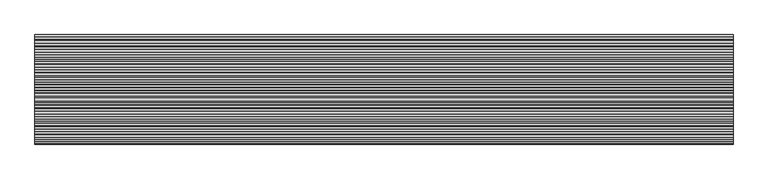
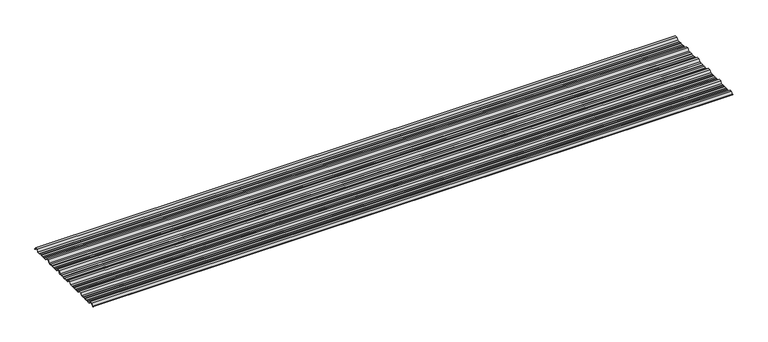
"""IFC4 building model written with IfcOpenShell, lengths in millimetres: beam geometry."""

from ifc_helpers import new_model, si_unit, point, frame, frame_2d, origin, place, context, project, spatial, polyline, circle_curve, trimmed, segment, composite_curve, outline, extrude, source, transform, mapped, element, save


def beam_489df630(model_context):
    return source(origin(), model_context, "Body", "SweptSolid", [
        extrude(outline(composite_curve([segment(polyline([(-159.5006096, -7.7896475), (-173.0, -25.7896475), (-191.1560825, -25.7896475), (-195.2826844, -23.7896475), (-212.8895196, -23.7896475), (-216.1536836, -25.7896475), (-234.9266573, -25.7896475), (-237.9681158, -23.7896475), (-253.6339196, -23.7896475), (-256.6775615, -25.7896475), (-277.0, -25.7896475), (-290.4993904, -7.7896475), (-309.5006096, -7.7896475), (-323.0, -25.7896475), (-341.1560825, -25.7896475), (-345.2826844, -23.7896475), (-362.8895196, -23.7896475), (-366.1536836, -25.7896475), (-384.9266573, -25.7896475), (-387.9681158, -23.7896475), (-403.6339196, -23.7896475), (-406.6775615, -25.7896475), (-427.0, -25.7896475), (-440.4993904, -7.7896475), (-459.5006096, -7.7896475), (-473.0, -25.7896475), (-491.1560825, -25.7896475), (-495.2826844, -23.7896475), (-512.8895196, -23.7896475), (-516.1536836, -25.7896475), (-534.9266573, -25.7896475), (-537.9681158, -23.7896475), (-553.6339196, -23.7896475), (-556.6775615, -25.7896475), (-577.0, -25.7896475), (-590.4993904, -7.7896475), (-609.5006096, -7.7896475), (-623.0, -25.7896475), (-641.1560825, -25.7896475), (-645.2826844, -23.7896475), (-662.8895196, -23.7896475), (-666.1536836, -25.7896475), (-684.9266573, -25.7896475), (-687.9681158, -23.7896475), (-703.6339196, -23.7896475), (-706.6775615, -25.7896475), (-727.0, -25.7896475), (-740.4993904, -7.7896475), (-759.5006096, -7.7896475), (-771.5000677, -23.7896475), (-775.173385, -23.7896475)]), True, "CONTINUOUS"), segment(trimmed(circle_curve(frame_2d((-775.173385, -23.2896475)), 0.5), [point((-775.173385, -23.7896475))], [point((-775.173385, -22.7896475))], False, "CARTESIAN"), True, "CONTINUOUS"), segment(polyline([(-775.173385, -22.7896475), (-771.9994581, -22.7896475), (-760.0, -6.7896475), (-740.0, -6.7896475), (-726.5006096, -24.7896475), (-706.9767126, -24.7896475), (-703.9330707, -22.7896475), (-687.6687853, -22.7896475), (-684.6273268, -24.7896475), (-666.4356788, -24.7896475), (-663.1715148, -22.7896475), (-645.0531246, -22.7896475), (-640.9265226, -24.7896475), (-623.4993904, -24.7896475), (-610.0, -6.7896475), (-590.0, -6.7896475), (-576.5006096, -24.7896475), (-556.9767126, -24.7896475), (-553.9330707, -22.7896475), (-537.6687853, -22.7896475), (-534.6273268, -24.7896475), (-516.4356788, -24.7896475), (-513.1715148, -22.7896475), (-495.0531246, -22.7896475), (-490.9265226, -24.7896475), (-473.4993904, -24.7896475), (-460.0, -6.7896475), (-440.0, -6.7896475), (-426.5006096, -24.7896475), (-406.9767126, -24.7896475), (-403.9330707, -22.7896475), (-387.6687853, -22.7896475), (-384.6273268, -24.7896475), (-366.4356788, -24.7896475), (-363.1715148, -22.7896475), (-345.0531246, -22.7896475), (-340.9265226, -24.7896475), (-323.4993904, -24.7896475), (-310.0, -6.7896475), (-290.0, -6.7896475), (-276.5006096, -24.7896475), (-256.9767126, -24.7896475), (-253.9330707, -22.7896475), (-237.6687853, -22.7896475), (-234.6273268, -24.7896475), (-216.4356788, -24.7896475), (-213.1715148, -22.7896475), (-195.0531246, -22.7896475), (-190.9265226, -24.7896475), (-173.4993904, -24.7896475), (-160.0, -6.7896475), (-140.0, -6.7896475), (-126.5006096, -24.7896475), (-106.9767126, -24.7896475), (-103.9330707, -22.7896475), (-87.6687853, -22.7896475), (-84.6273268, -24.7896475), (-66.4356788, -24.7896475), (-63.1715148, -22.7896475), (-45.0531246, -22.7896475), (-40.9265226, -24.7896475), (-20.999431, -24.7896475), (-8.9999729, -8.7896475), (8.9999729, -8.7896475), (20.6572433, -24.3333765)]), True, "CONTINUOUS"), segment(trimmed(circle_curve(frame_2d((20.2574362, -24.6332183)), 0.4997507), [point((20.6572433, -24.3333765))], [point((19.8576291, -24.9330601))], False, "CARTESIAN"), True, "CONTINUOUS"), segment(polyline([(19.8576291, -24.9330601), (8.5005825, -9.7896475), (-8.5005825, -9.7896475), (-20.5000406, -25.7896475), (-41.1560825, -25.7896475), (-45.2826844, -23.7896475), (-62.8895196, -23.7896475), (-66.1536836, -25.7896475), (-84.9266573, -25.7896475), (-87.9681158, -23.7896475), (-103.6339196, -23.7896475), (-106.6775615, -25.7896475), (-127.0, -25.7896475), (-140.4993904, -7.7896475), (-159.5006096, -7.7896475)]), True, "CONTINUOUS")], self_intersect=False)), frame((-2535.0, 0.0, 0.0), z_axis=(1.0, 0.0, 0.0), x_axis=(0.0, 1.0, 0.0)), (0.0, 0.0, 1.0), 5070.0),
    ])


if __name__ == "__main__":
    model = new_model("IFC4")
    model_context = context("Model", 3, world=origin())
    ifc_project = project(units=[si_unit("LENGTHUNIT", "METRE", prefix="MILLI")], contexts=[model_context])
    site = spatial("IfcSite", under=ifc_project)
    building = spatial("IfcBuilding", under=site)
    placement = place(None, origin())
    beam_shape = beam_489df630(model_context)
    element("IfcBeam", 1, at=placement, inside=building, context=model_context, shape_type="MappedRepresentation", body=[
        mapped(beam_shape, transform((0.0, 0.0, 0.0), x_axis=(1.0, 0.0, 0.0), y_axis=(0.0, 1.0, 0.0), z_axis=(0.0, 0.0, 1.0))),
    ])
    save(model, "model.ifc")
